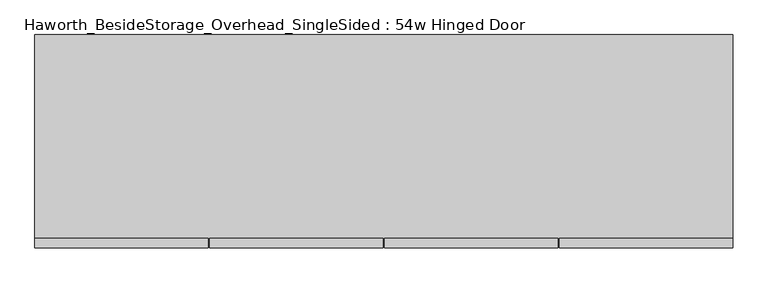
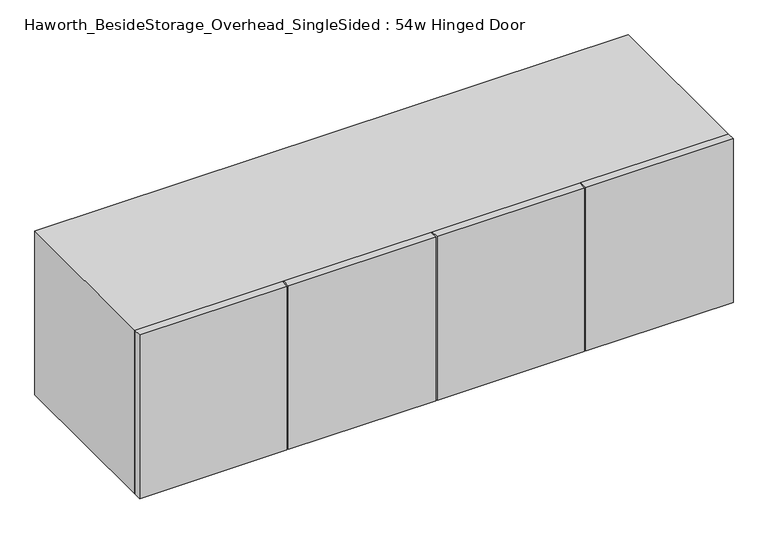
"""IFC4 building model written with IfcOpenShell, lengths in millimetres: furniture geometry, Haworth_BesideStorage_Overhead_SingleSided : 54w Hinged Door."""

from ifc_helpers import new_model, si_unit, frame, origin, place, context, project, spatial, polyline, outline, extrude, source, transform, mapped, element, save


def haworth_besidestorage_overhead_singlesided_54w_hinged_door_db358a15(model_context):
    return source(origin(), model_context, "Body", "SweptSolid", [
        extrude(outline(polyline([(510.38125, -419.1), (510.38125, -400.05), (850.9, -400.05), (850.9, -419.1), (510.38125, -419.1)])), frame((0.0, 0.0, 762.0), z_axis=(0.0, 0.0, 1.0), x_axis=(1.0, 0.0, 0.0)), (0.0, 0.0, 1.0), 400.05),
        extrude(outline(polyline([(507.20625, -419.1), (166.6875, -419.1), (166.6875, -400.05), (507.20625, -400.05), (507.20625, -419.1)])), frame((0.0, 0.0, 762.0), z_axis=(0.0, 0.0, 1.0), x_axis=(1.0, 0.0, 0.0)), (0.0, 0.0, 1.0), 400.05),
        extrude(outline(polyline([(-177.00625, -419.1), (-177.00625, -400.05), (163.5125, -400.05), (163.5125, -419.1), (-177.00625, -419.1)])), frame((0.0, 0.0, 762.0), z_axis=(0.0, 0.0, 1.0), x_axis=(1.0, 0.0, 0.0)), (0.0, 0.0, 1.0), 400.05),
        extrude(outline(polyline([(-180.18125, -419.1), (-520.7, -419.1), (-520.7, -400.05), (-180.18125, -400.05), (-180.18125, -419.1)])), frame((0.0, 0.0, 762.0), z_axis=(0.0, 0.0, 1.0), x_axis=(1.0, 0.0, 0.0)), (0.0, 0.0, 1.0), 400.05),
        extrude(outline(polyline([(174.625, -400.05), (155.575, -400.05), (155.575, -19.05), (174.625, -19.05), (174.625, -400.05)])), frame((0.0, 0.0, 781.05), z_axis=(0.0, 0.0, 1.0), x_axis=(1.0, 0.0, 0.0)), (0.0, 0.0, 1.0), 361.95),
        extrude(outline(polyline([(831.85, -19.05), (-501.65, -19.05), (-501.65, 0.0), (831.85, 0.0), (831.85, -19.05)])), frame((0.0, 0.0, 781.05), z_axis=(0.0, 0.0, 1.0), x_axis=(1.0, 0.0, 0.0)), (0.0, 0.0, 1.0), 361.95),
        extrude(outline(polyline([(762.0, 850.9), (1162.05, 850.9), (1162.05, -520.7), (762.0, -520.7), (762.0, 850.9)]), holes=[polyline([(1143.0, 831.85), (781.05, 831.85), (781.05, -501.65), (1143.0, -501.65), (1143.0, 831.85)])]), frame((0.0, -400.05, 0.0), z_axis=(0.0, 1.0, 0.0), x_axis=(0.0, 0.0, 1.0)), (0.0, 0.0, 1.0), 400.05),
    ])


if __name__ == "__main__":
    model = new_model("IFC4")
    model_context = context("Model", 3, world=origin())
    ifc_project = project(units=[si_unit("LENGTHUNIT", "METRE", prefix="MILLI")], contexts=[model_context])
    site = spatial("IfcSite", under=ifc_project)
    building = spatial("IfcBuilding", under=site)
    placement = place(None, origin())
    haworth_besidestorage_overhead_singlesided_54w_hinged_door_shape = haworth_besidestorage_overhead_singlesided_54w_hinged_door_db358a15(model_context)
    element("IfcFurniture", 1, ObjectType="Haworth_BesideStorage_Overhead_SingleSided : 54w Hinged Door", at=placement, inside=building, context=model_context, shape_type="MappedRepresentation", body=[
        mapped(haworth_besidestorage_overhead_singlesided_54w_hinged_door_shape, transform((0.0, 0.0, 0.0), x_axis=(1.0, 0.0, 0.0), y_axis=(0.0, 1.0, 0.0), z_axis=(0.0, 0.0, 1.0))),
    ])
    save(model, "model.ifc")
